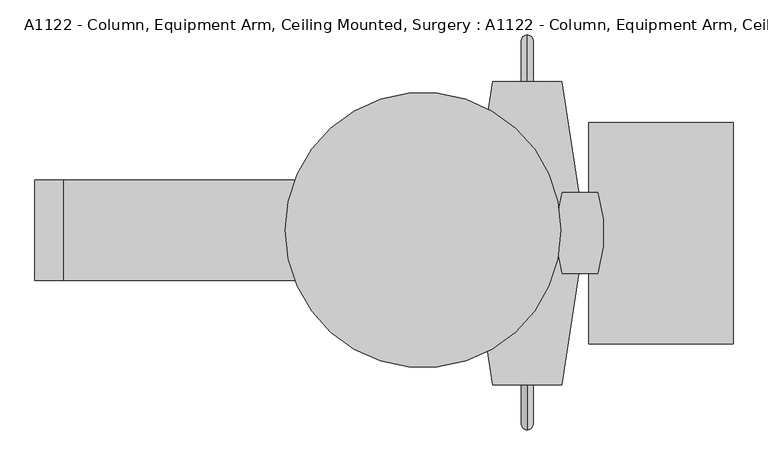
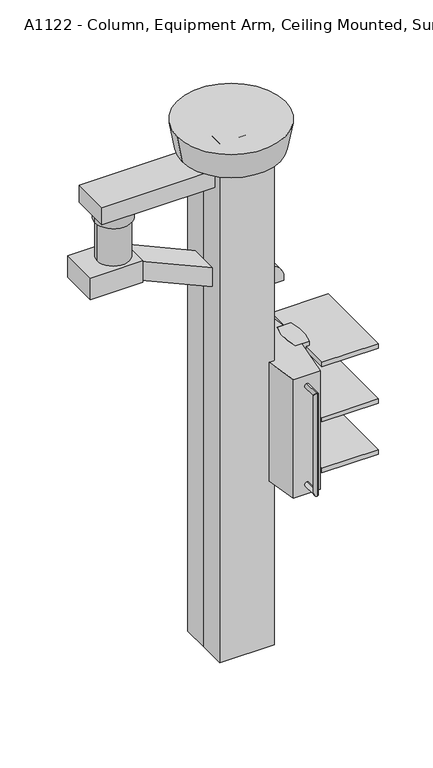
"""IFC4 building model written with IfcOpenShell, lengths in millimetres: proxy geometry, A1122 - Column, Equipment Arm, Ceiling Mounted, Surgery : A1122 - Column, Equipment Arm, Ceiling Mounted, Surgery."""

from ifc_helpers import new_model, si_unit, point, frame, frame_2d, origin, origin_2d, place, context, project, spatial, polyline, circle_curve, ellipse_curve, trimmed, segment, composite_curve, outline, extrude, source, transform, mapped, element, save
from ifc_brep_helpers import plane_surface, cylinder_surface, revolved_surface, advanced_brep


def a1122_column_equipment_arm_ceiling_mounted_surgery_a1122_93ba8d77(model_context):
    return source(origin(), model_context, "Body", "SolidModel", [
        advanced_brep(
        [(226.5729176, -332.7689207, 1898.9126507), (226.5729176, -332.7689207, 1924.3126507), (226.5729176, -408.9689207, 1898.9126507), (226.5729176, -434.3689207, 1924.3126507), (226.5729176, -408.9689207, 1346.4626507), (226.5729176, -434.3689207, 1321.0626507), (226.5729176, -332.7689207, 1346.4626507), (226.5729176, -332.7689207, 1321.0626507)],
        [
            (0, 1, circle_curve(frame((226.5729176, -332.7689207, 1911.6126507), z_axis=(0.0, 1.0, 0.0), x_axis=(0.0, 0.0, 1.0)), 12.7)),
            (1, 0, circle_curve(frame((226.5729176, -332.7689207, 1911.6126507), z_axis=(0.0, 1.0, 0.0), x_axis=(0.0, 0.0, 1.0)), 12.7)),
            (0, 2),
            (2, 3, ellipse_curve(frame((226.5729176, -421.6689207, 1911.6126507), z_axis=(0.0, 0.7071067811865475, 0.7071067811865475), x_axis=(0.0, 0.7071067811865476, -0.7071067811865474)), 17.9605122, 12.7)),
            (3, 1),
            (3, 2, ellipse_curve(frame((226.5729176, -421.6689207, 1911.6126507), z_axis=(0.0, 0.7071067811865475, 0.7071067811865475), x_axis=(0.0, 0.7071067811865476, -0.7071067811865474)), 17.9605122, 12.7)),
            (2, 4),
            (4, 5, ellipse_curve(frame((226.5729176, -421.6689207, 1333.7626507), z_axis=(0.0, -0.7071067811865475, 0.7071067811865475), x_axis=(0.0, 0.7071067811865474, 0.7071067811865476)), 17.9605122, 12.7)),
            (5, 3),
            (5, 4, ellipse_curve(frame((226.5729176, -421.6689207, 1333.7626507), z_axis=(0.0, -0.7071067811865475, 0.7071067811865475), x_axis=(0.0, 0.7071067811865474, 0.7071067811865476)), 17.9605122, 12.7)),
            (6, 7, circle_curve(frame((226.5729176, -332.7689207, 1333.7626507), z_axis=(0.0, 1.0, 0.0), x_axis=(0.0, 0.0, -1.0)), 12.7)),
            (7, 6, circle_curve(frame((226.5729176, -332.7689207, 1333.7626507), z_axis=(0.0, 1.0, 0.0), x_axis=(0.0, 0.0, -1.0)), 12.7)),
            (4, 6),
            (7, 5),
        ],
        [
            plane_surface(frame((2193.5406963, -332.7689207, 1911.6126507), z_axis=(0.0, 1.0, 0.0), x_axis=(1.0, 0.0, 0.0))),
            cylinder_surface(frame((226.5729176, -332.7689207, 1911.6126507), z_axis=(0.0, 1.0, 0.0), x_axis=(0.0, 0.0, 1.0)), 12.7),
            cylinder_surface(frame((226.5729176, -421.6689207, 1911.6126507), z_axis=(0.0, 0.0, 1.0), x_axis=(0.0, -1.0, 0.0)), 12.7),
            plane_surface(frame((2193.5406963, -332.7689207, 1333.7626507), z_axis=(0.0, 1.0, 0.0), x_axis=(1.0, 0.0, 0.0))),
            cylinder_surface(frame((226.5729176, -421.6689207, 1333.7626507), z_axis=(0.0, -1.0, 0.0), x_axis=(0.0, 0.0, -1.0)), 12.7),
        ],
        [
            (0, [[1, 2]]),
            (1, [[3, 4, 5, -1]]),
            (1, [[-5, 6, -3, -2]]),
            (2, [[7, 8, 9, -4]]),
            (2, [[-9, 10, -7, -6]]),
            (3, [[11, 12]]),
            (4, [[13, -12, 14, -8]]),
            (4, [[-14, -11, -13, -10]]),
        ],
    ),
        advanced_brep(
        [(226.5729176, 323.7089058, 1924.3126507), (226.5729176, 323.7089058, 1898.9126507), (226.5729176, 399.9089058, 1898.9126507), (226.5729176, 425.3089058, 1924.3126507), (226.5729176, 399.9089058, 1346.4626507), (226.5729176, 425.3089058, 1321.0626507), (226.5729176, 323.7089058, 1321.0626507), (226.5729176, 323.7089058, 1346.4626507)],
        [
            (0, 1, circle_curve(frame((226.5729176, 323.7089058, 1911.6126507), z_axis=(0.0, -1.0, 0.0), x_axis=(0.0, 0.0, -1.0)), 12.7)),
            (1, 0, circle_curve(frame((226.5729176, 323.7089058, 1911.6126507), z_axis=(0.0, -1.0, 0.0), x_axis=(0.0, 0.0, -1.0)), 12.7)),
            (1, 2),
            (2, 3, ellipse_curve(frame((226.5729176, 412.6089058, 1911.6126507), z_axis=(0.0, -0.7071067811865475, 0.7071067811865475), x_axis=(0.0, -0.7071067811865476, -0.7071067811865474)), 17.9605122, 12.7)),
            (3, 0),
            (3, 2, ellipse_curve(frame((226.5729176, 412.6089058, 1911.6126507), z_axis=(0.0, -0.7071067811865475, 0.7071067811865475), x_axis=(0.0, -0.7071067811865476, -0.7071067811865474)), 17.9605122, 12.7)),
            (2, 4),
            (4, 5, ellipse_curve(frame((226.5729176, 412.6089058, 1333.7626507), z_axis=(0.0, 0.7071067811865475, 0.7071067811865475), x_axis=(0.0, -0.7071067811865474, 0.7071067811865476)), 17.9605122, 12.7)),
            (5, 3),
            (5, 4, ellipse_curve(frame((226.5729176, 412.6089058, 1333.7626507), z_axis=(0.0, 0.7071067811865475, 0.7071067811865475), x_axis=(0.0, -0.7071067811865474, 0.7071067811865476)), 17.9605122, 12.7)),
            (6, 7, circle_curve(frame((226.5729176, 323.7089058, 1333.7626507), z_axis=(0.0, -1.0, 0.0), x_axis=(0.0, 0.0, 1.0)), 12.7)),
            (7, 6, circle_curve(frame((226.5729176, 323.7089058, 1333.7626507), z_axis=(0.0, -1.0, 0.0), x_axis=(0.0, 0.0, 1.0)), 12.7)),
            (4, 7),
            (6, 5),
        ],
        [
            plane_surface(frame((2193.5406963, 323.7089058, 1911.6126507), z_axis=(0.0, -1.0, 0.0), x_axis=(1.0, 0.0, 0.0))),
            cylinder_surface(frame((226.5729176, 323.7089058, 1911.6126507), z_axis=(0.0, -1.0, 0.0), x_axis=(0.0, 0.0, -1.0)), 12.7),
            cylinder_surface(frame((226.5729176, 412.6089058, 1911.6126507), z_axis=(0.0, 0.0, 1.0), x_axis=(0.0, -1.0, 0.0)), 12.7),
            plane_surface(frame((2193.5406963, 323.7089058, 1333.7626507), z_axis=(0.0, -1.0, 0.0), x_axis=(1.0, 0.0, 0.0))),
            cylinder_surface(frame((226.5729176, 412.6089058, 1333.7626507), z_axis=(0.0, 1.0, 0.0), x_axis=(0.0, 0.0, 1.0)), 12.7),
        ],
        [
            (0, [[1, 2]]),
            (1, [[3, 4, 5, -2]]),
            (1, [[-5, 6, -3, -1]]),
            (2, [[7, 8, 9, -4]]),
            (2, [[-9, 10, -7, -6]]),
            (3, [[11, 12]]),
            (4, [[13, -11, 14, -8]]),
            (4, [[-14, -12, -13, -10]]),
        ],
    ),
        extrude(outline(polyline([(674.5317788, -247.7910942), (360.9751354, -247.7910942), (360.9751354, 234.8089058), (674.5317788, 234.8089058), (674.5317788, -247.7910942)])), frame((0.0, 0.0, 1298.5413128), z_axis=(0.0, 0.0, 1.0), x_axis=(1.0, 0.0, 0.0)), (0.0, 0.0, 1.0), 25.4),
        extrude(outline(polyline([(674.5317788, -247.7910942), (360.9751354, -247.7910942), (360.9751354, 234.8089058), (674.5317788, 234.8089058), (674.5317788, -247.7910942)])), frame((0.0, 0.0, 1597.981208), z_axis=(0.0, 0.0, 1.0), x_axis=(1.0, 0.0, 0.0)), (0.0, 0.0, 1.0), 25.4),
        extrude(outline(polyline([(674.5317788, -247.7910942), (360.9751354, -247.7910942), (360.9751354, 234.8089058), (674.5317788, 234.8089058), (674.5317788, -247.7910942)])), frame((0.0, 0.0, 1921.679066), z_axis=(0.0, 0.0, 1.0), x_axis=(1.0, 0.0, 0.0)), (0.0, 0.0, 1.0), 25.4),
        extrude(outline(composite_curve([segment(polyline([(380.0167911, -94.5612276), (302.783258, -94.5612276)]), True, "CONTINUOUS"), segment(trimmed(circle_curve(frame_2d((587.5565739, -6.1610691)), 298.1785194), [point((302.783258, -94.5612276))], [point((302.91217, 82.6533035))], False, "CARTESIAN"), True, "CONTINUOUS"), segment(polyline([(302.91217, 82.6533035), (379.8878791, 82.6533035)]), True, "CONTINUOUS"), segment(trimmed(circle_curve(frame_2d((95.2434752, -6.1610691)), 298.1785194), [point((379.8878791, 82.6533035))], [point((380.0167911, -94.5612276))], False, "CARTESIAN"), True, "CONTINUOUS")], self_intersect=False)), frame((0.0, 0.0, 1241.1912634), z_axis=(0.0, 0.0, 1.0), x_axis=(1.0, 0.0, 0.0)), (0.0, 0.0, 1.0), 731.4878521),
        extrude(outline(composite_curve([segment(polyline([(145.8116754, -95.3910942), (69.0938349, -95.3910942)]), True, "CONTINUOUS"), segment(trimmed(circle_curve(frame_2d((353.750104, -6.4910942)), 298.2153609), [point((69.0938349, -95.3910942))], [point((69.0938349, 82.4089058))], False, "CARTESIAN"), True, "CONTINUOUS"), segment(polyline([(69.0938349, 82.4089058), (145.8116754, 82.4089058)]), True, "CONTINUOUS"), segment(trimmed(circle_curve(frame_2d((-138.8445936, -6.4910942)), 298.2153609), [point((145.8116754, 82.4089058))], [point((145.8116754, -95.3910942))], False, "CARTESIAN"), True, "CONTINUOUS")], self_intersect=False)), frame((0.0, 0.0, 1275.189926), z_axis=(0.0, 0.0, 1.0), x_axis=(1.0, 0.0, 0.0)), (0.0, 0.0, 1.0), 697.4891895),
        extrude(outline(composite_curve([segment(polyline([(301.9744983, -336.6910942), (151.1712503, -336.6910942)]), True, "CONTINUOUS"), segment(trimmed(circle_curve(frame_2d((1514.2195005, -6.4910942)), 1402.4737332), [point((151.1712503, -336.6910942))], [point((114.5661998, -95.3910942))], False, "CARTESIAN"), True, "CONTINUOUS"), segment(polyline([(114.5661998, -95.3910942), (145.8116754, -95.3910942)]), True, "CONTINUOUS"), segment(trimmed(circle_curve(frame_2d((-138.8445936, -6.4910942)), 298.2153609), [point((145.8116754, -95.3910942))], [point((145.8116754, 82.4089058))], True, "CARTESIAN"), True, "CONTINUOUS"), segment(polyline([(145.8116754, 82.4089058), (114.5661998, 82.4089058)]), True, "CONTINUOUS"), segment(trimmed(circle_curve(frame_2d((1514.2195005, -6.4910942)), 1402.4737332), [point((114.5661998, 82.4089058))], [point((151.1712503, 323.7089058))], False, "CARTESIAN"), True, "CONTINUOUS"), segment(polyline([(151.1712503, 323.7089058), (301.9745848, 323.7089058)]), True, "CONTINUOUS"), segment(trimmed(circle_curve(frame_2d((-1061.0737086, -6.4909157)), 1402.4737332), [point((301.9745848, 323.7089058))], [point((338.5796035, 82.4089058))], False, "CARTESIAN"), True, "CONTINUOUS"), segment(polyline([(338.5796035, 82.4089058), (302.783258, 82.4089058)]), True, "CONTINUOUS"), segment(trimmed(circle_curve(frame_2d((591.1885644, -6.0761609)), 301.6740422), [point((302.783258, 82.4089058))], [point((302.783258, -94.5612276))], True, "CARTESIAN"), True, "CONTINUOUS"), segment(polyline([(302.783258, -94.5612276), (338.6320435, -94.5612276)]), True, "CONTINUOUS"), segment(trimmed(circle_curve(frame_2d((-1061.0737086, -6.4909157)), 1402.4737332), [point((338.6320435, -94.5612276))], [point((301.9744983, -336.6910942))], False, "CARTESIAN"), True, "CONTINUOUS")], self_intersect=False)), frame((0.0, 0.0, 1275.189926), z_axis=(0.0, 0.0, 1.0), x_axis=(1.0, 0.0, 0.0)), (0.0, 0.0, 1.0), 697.4891895),
        extrude(outline(composite_curve([segment(polyline([(2501.7541565, 31.5013454), (2390.8610353, 31.5013454), (2390.8610353, 228.8790611)]), True, "CONTINUOUS"), segment(trimmed(circle_curve(frame_2d((2407.584401, 136.1601583)), 94.2149983), [point((2390.8610353, 228.8790611))], [point((2501.7541565, 139.0795821))], False, "CARTESIAN"), True, "CONTINUOUS"), segment(polyline([(2501.7541565, 139.0795821), (2501.7541565, 31.5013454)]), True, "CONTINUOUS")], self_intersect=False)), frame((0.0, -109.22, 0.0), z_axis=(0.0, 1.0, 0.0), x_axis=(0.0, 0.0, 1.0)), (0.0, 0.0, 1.0), 218.44),
        extrude(outline(composite_curve([segment(trimmed(circle_curve(frame_2d((131.3229176, -4.5300075)), 76.2), [point((207.5229176, -4.5300075))], [point((55.1229176, -4.5300075))], False, "CARTESIAN"), True, "CONTINUOUS"), segment(trimmed(circle_curve(frame_2d((131.3229176, -4.5300075)), 76.2), [point((55.1229176, -4.5300075))], [point((207.5229176, -4.5300075))], False, "CARTESIAN"), True, "CONTINUOUS")], self_intersect=False)), frame((0.0, 0.0, 1972.6791155), z_axis=(0.0, 0.0, 1.0), x_axis=(1.0, 0.0, 0.0)), (0.0, 0.0, 1.0), 357.2218665),
        extrude(outline(composite_curve([segment(trimmed(circle_curve(frame_2d((130.1902032, 0.0)), 88.9), [point((219.0902032, 0.0))], [point((41.2902032, 0.0))], False, "CARTESIAN"), True, "CONTINUOUS"), segment(trimmed(circle_curve(frame_2d((130.1902032, 0.0)), 88.9), [point((41.2902032, 0.0))], [point((219.0902032, 0.0))], False, "CARTESIAN"), True, "CONTINUOUS")], self_intersect=False)), frame((0.0, 0.0, 2329.900982), z_axis=(0.0, 0.0, 1.0), x_axis=(1.0, 0.0, 0.0)), (0.0, 0.0, 1.0), 60.96),
        extrude(outline(polyline([(2501.7541565, 31.5013454), (2764.8962666, -553.3798839), (2653.4870493, -553.3798839), (2390.3449392, 31.5013454), (2501.7541565, 31.5013454)])), frame((0.0, -86.7689468, 0.0), z_axis=(0.0, 1.0, 0.0), x_axis=(0.0, 0.0, 1.0)), (0.0, 0.0, 1.0), 169.1778525),
        advanced_brep(
        [(-844.55, -109.22, 2780.4870493), (-844.55, -109.22, 2653.4870493), (-553.3798839, -109.22, 2653.4870493), (-553.3798839, -109.22, 2780.4870493), (-844.55, 109.22, 2780.4870493), (-553.3798839, 109.22, 2780.4870493), (-553.3798839, 109.22, 2653.4870493), (-844.55, 109.22, 2653.4870493), (-743.8798839, 0.0, 2780.4870493), (-566.0798839, 0.0, 2780.4870493), (-566.0798839, 0.0, 3009.0870493), (-743.8798839, 0.0, 3009.0870493), (-553.3798839, 0.0, 3009.0870493), (-756.5798839, 0.0, 3009.0870493), (-553.3798839, 0.0, 3070.0470493), (-756.5798839, 0.0, 3070.0470493), (119.38, -109.22, 3172.46), (119.38, 109.22, 3172.46), (-781.2986546, 109.22, 3172.46), (-781.2986546, -109.22, 3172.46), (119.38, -109.22, 3070.0470493), (-781.2986546, -109.22, 3070.0470493), (-781.2986546, 109.22, 3070.0470493), (119.38, 109.22, 3070.0470493)],
        [
            (0, 1),
            (1, 2),
            (2, 3),
            (3, 0),
            (4, 5),
            (5, 6),
            (6, 7),
            (7, 4),
            (3, 5),
            (4, 0),
            (8, 9, circle_curve(frame((-654.9798839, 0.0, 2780.4870493), z_axis=(0.0, 0.0, -1.0), x_axis=(-1.0, 0.0, 0.0)), 88.9)),
            (9, 8, circle_curve(frame((-654.9798839, 0.0, 2780.4870493), z_axis=(0.0, 0.0, -1.0), x_axis=(-1.0, 0.0, 0.0)), 88.9)),
            (2, 6),
            (1, 7),
            (10, 11, circle_curve(frame((-654.9798839, 0.0, 3009.0870493), z_axis=(0.0, 0.0, -1.0), x_axis=(-1.0, 0.0, 0.0)), 88.9)),
            (11, 8),
            (9, 10),
            (11, 10, circle_curve(frame((-654.9798839, 0.0, 3009.0870493), z_axis=(0.0, 0.0, -1.0), x_axis=(-1.0, 0.0, 0.0)), 88.9)),
            (12, 13, circle_curve(frame((-654.9798839, 0.0, 3009.0870493), z_axis=(0.0, 0.0, -1.0), x_axis=(-1.0, 0.0, 0.0)), 101.6)),
            (13, 12, circle_curve(frame((-654.9798839, 0.0, 3009.0870493), z_axis=(0.0, 0.0, -1.0), x_axis=(-1.0, 0.0, 0.0)), 101.6)),
            (12, 14),
            (14, 15, circle_curve(frame((-654.9798839, 0.0, 3070.0470493), z_axis=(0.0, 0.0, -1.0), x_axis=(-1.0, 0.0, 0.0)), 101.6)),
            (15, 13),
            (15, 14, circle_curve(frame((-654.9798839, 0.0, 3070.0470493), z_axis=(0.0, 0.0, -1.0), x_axis=(-1.0, 0.0, 0.0)), 101.6)),
            (16, 17),
            (17, 18),
            (18, 19),
            (19, 16),
            (20, 21),
            (21, 22),
            (22, 23),
            (23, 20),
            (19, 21),
            (20, 16),
            (18, 22),
            (17, 23),
        ],
        [
            plane_surface(frame((-553.3798839, -109.22, 2780.4870493), z_axis=(0.0, -1.0, 0.0), x_axis=(1.0, 0.0, 0.0))),
            plane_surface(frame((-553.3798839, 109.22, 2780.4870493), z_axis=(0.0, 1.0, 0.0), x_axis=(-1.0, 0.0, 0.0))),
            plane_surface(frame((-844.55, -109.22, 2780.4870493), z_axis=(0.0, 0.0, 1.0), x_axis=(0.0, 1.0, 0.0))),
            plane_surface(frame((-553.3798839, -109.22, 2780.4870493), z_axis=(1.0, 0.0, 0.0), x_axis=(0.0, 1.0, 0.0))),
            plane_surface(frame((-553.3798839, -109.22, 2653.4870493), z_axis=(0.0, 0.0, -1.0), x_axis=(0.0, 1.0, 0.0))),
            plane_surface(frame((-844.55, -109.22, 2653.4870493), z_axis=(-1.0, 0.0, 0.0), x_axis=(0.0, 1.0, 0.0))),
            cylinder_surface(frame((-654.9798839, 0.0, 2780.4870493), z_axis=(0.0, 0.0, 1.0), x_axis=(-1.0, 0.0, 0.0)), 88.9),
            plane_surface(frame((-756.5798839, 0.0, 3009.0870493), z_axis=(0.0, 0.0, -1.0), x_axis=(0.0, -1.0, 0.0))),
            cylinder_surface(frame((-654.9798839, 0.0, 3009.0870493), z_axis=(0.0, 0.0, 1.0), x_axis=(-1.0, 0.0, 0.0)), 101.6),
            plane_surface(frame((-1120.14, -109.22, 3172.46), z_axis=(0.0, 0.0, 1.0), x_axis=(-1.0, 0.0, 0.0))),
            plane_surface(frame((-1120.14, -109.22, 3070.0470493), z_axis=(0.0, 0.0, -1.0), x_axis=(1.0, 0.0, 0.0))),
            plane_surface(frame((119.38, -109.22, 3172.46), z_axis=(0.0, -1.0, 0.0), x_axis=(0.0, 0.0, -1.0))),
            plane_surface(frame((-781.2986546, -109.22, 3172.46), z_axis=(-1.0, 0.0, 0.0), x_axis=(0.0, 0.0, -1.0))),
            plane_surface(frame((-781.2986546, 109.22, 3172.46), z_axis=(0.0, 1.0, 0.0), x_axis=(0.0, 0.0, -1.0))),
            plane_surface(frame((119.38, 109.22, 3172.46), z_axis=(1.0, 0.0, 0.0), x_axis=(0.0, 0.0, -1.0))),
        ],
        [
            (0, [[1, 2, 3, 4]]),
            (1, [[5, 6, 7, 8]]),
            (2, [[9, -5, 10, -4], [11, 12]]),
            (3, [[13, -6, -9, -3]]),
            (4, [[14, -7, -13, -2]]),
            (5, [[-10, -8, -14, -1]]),
            (6, [[15, 16, -12, 17]]),
            (6, [[-11, -16, 18, -17]]),
            (7, [[19, 20], [-18, -15]]),
            (8, [[21, 22, 23, -19]]),
            (8, [[-23, 24, -21, -20]]),
            (9, [[25, 26, 27, 28]]),
            (10, [[29, 30, 31, 32], [-24, -22]]),
            (11, [[33, -29, 34, -28]]),
            (12, [[35, -30, -33, -27]]),
            (13, [[36, -31, -35, -26]]),
            (14, [[-34, -32, -36, -25]]),
        ],
    ),
        extrude(outline(composite_curve([segment(trimmed(circle_curve(origin_2d(), 86.36), [point((86.36, 0.0))], [point((-86.36, 0.0))], False, "CARTESIAN"), True, "CONTINUOUS"), segment(trimmed(circle_curve(origin_2d(), 86.36), [point((-86.36, 0.0))], [point((86.36, 0.0))], False, "CARTESIAN"), True, "CONTINUOUS")], self_intersect=False)), frame((0.0, 0.0, 3127.4742111), z_axis=(0.0, 0.0, 1.0), x_axis=(1.0, 0.0, 0.0)), (0.0, 0.0, 1.0), 70.3857889),
        advanced_brep(
        [(-299.72, 0.0, 3352.8), (299.72, 0.0, 3352.8), (-271.78, 0.0, 3197.86), (271.78, 0.0, 3197.86)],
        [
            (0, 1, circle_curve(frame((0.0, 0.0, 3352.8), z_axis=(0.0, 0.0, 1.0), x_axis=(1.0, 0.0, 0.0)), 299.72)),
            (1, 0, circle_curve(frame((0.0, 0.0, 3352.8), z_axis=(0.0, 0.0, 1.0), x_axis=(-1.0, 0.0, 0.0)), 299.72)),
            (2, 3, circle_curve(frame((0.0, 0.0, 3197.86), z_axis=(0.0, 0.0, -1.0), x_axis=(-1.0, 0.0, 0.0)), 271.78)),
            (3, 2, circle_curve(frame((0.0, 0.0, 3197.86), z_axis=(0.0, 0.0, -1.0), x_axis=(1.0, 0.0, 0.0)), 271.78)),
            (2, 0),
            (1, 3),
        ],
        [
            plane_surface(frame((0.0, 0.0, 3352.8), z_axis=(0.0, 0.0, 1.0), x_axis=(0.0, 1.0, 0.0))),
            plane_surface(frame((0.0, 0.0, 3197.86), z_axis=(0.0, 0.0, -1.0), x_axis=(0.0, 1.0, 0.0))),
            revolved_surface(polyline([(-271.7800000006113, 0.0, 3197.86), (-299.72, 0.0, 3352.8)]), (0.0, 0.0, 1690.7163636), (0.0, 0.0, 1.0)),
            revolved_surface(polyline([(271.7800000006113, 0.0, 3197.86), (299.72, 0.0, 3352.8)]), (0.0, 0.0, 1690.7163636), (0.0, 0.0, 1.0)),
        ],
        [
            (0, [[1, 2]]),
            (1, [[3, 4]]),
            (2, [[5, -2, 6, -3]]),
            (3, [[-6, -1, -5, -4]]),
        ],
    ),
        extrude(outline(polyline([(-152.4, -152.4), (-152.4, 0.0), (-152.4, 152.4), (152.4, 152.4), (152.4, -152.4), (-152.4, -152.4)])), frame((0.0, 0.0, 304.8), z_axis=(0.0, 0.0, 1.0), x_axis=(1.0, 0.0, 0.0)), (0.0, 0.0, 1.0), 3048.0),
    ])


if __name__ == "__main__":
    model = new_model("IFC4")
    model_context = context("Model", 3, world=origin())
    ifc_project = project(units=[si_unit("LENGTHUNIT", "METRE", prefix="MILLI")], contexts=[model_context])
    site = spatial("IfcSite", under=ifc_project)
    building = spatial("IfcBuilding", under=site)
    placement = place(None, origin())
    a1122_column_equipment_arm_ceiling_mounted_surgery_a1122_shape = a1122_column_equipment_arm_ceiling_mounted_surgery_a1122_93ba8d77(model_context)
    element("IfcBuildingElementProxy", 1, Name="A1122 - Column, Equipment Arm, Ceiling Mounted, Surgery : A1122 - Column, Equipment Arm, Ceiling Mounted, Surgery", ObjectType="A1122 - Column, Equipment Arm, Ceiling Mounted, Surgery : A1122 - Column, Equipment Arm, Ceiling Mounted, Surgery", at=placement, inside=building, context=model_context, shape_type="MappedRepresentation", body=[
        mapped(a1122_column_equipment_arm_ceiling_mounted_surgery_a1122_shape, transform((0.0, 0.0, 0.0), x_axis=(1.0, 0.0, 0.0), y_axis=(0.0, 1.0, 0.0), z_axis=(0.0, 0.0, 1.0))),
    ])
    save(model, "model.ifc")
